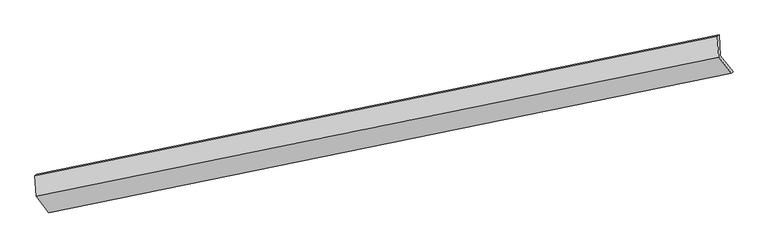
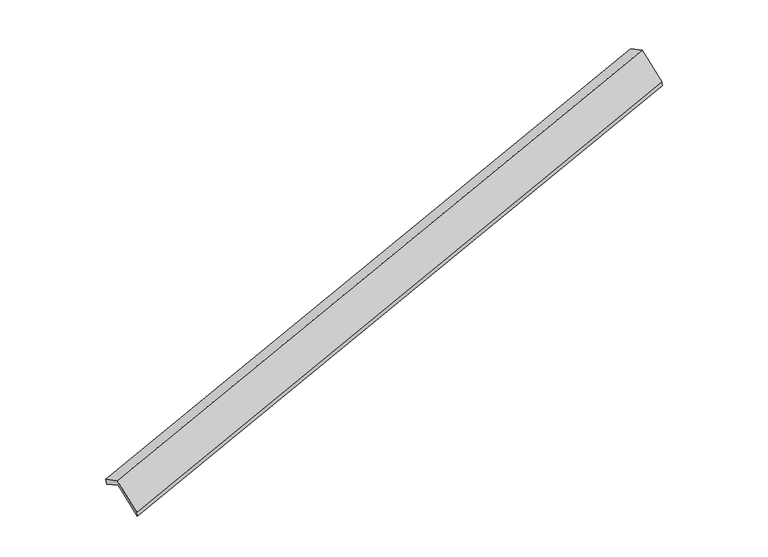
"""IFC4 building model written with IfcOpenShell, lengths in millimetres: proxy geometry."""

from ifc_helpers import new_model, si_unit, origin, place, context, project, spatial, faceted_brep, source, transform, mapped, element, save


def generic_models_58121f69(model_context):
    return source(origin(), model_context, "Body", "Brep", [
        faceted_brep([(-9646.4537801, -2897.2174263, 185.6869163), (-9669.6292347, -2487.5829807, -25.8736847), (3784.8933267, 259.9658439, 3885.6515935), (3808.0687813, -149.6686017, 4097.2121945), (-9705.1121239, -2510.9232125, 113.7550784), (3749.4104376, 236.6256122, 4025.2803567), (-9681.7253085, -2924.293536, 327.2451182), (3772.797253, -176.7447114, 4238.7703965), (-9429.3081398, -3244.1793581, -319.7852521), (4025.2144217, -496.6305335, 3591.7400261), (-9397.4546785, -3212.7715654, -452.581795), (4057.067883, -465.2227408, 3458.9434832)], [[[0, 1, 2, 3]], [[1, 4, 5, 2]], [[4, 6, 7, 5]], [[6, 8, 9, 7]], [[8, 10, 11, 9]], [[10, 0, 3, 11]], [[9, 11, 3, 2, 5, 7]], [[0, 10, 8, 6, 4, 1]]]),
    ])


if __name__ == "__main__":
    model = new_model("IFC4")
    model_context = context("Model", 3, world=origin())
    ifc_project = project(units=[si_unit("LENGTHUNIT", "METRE", prefix="MILLI")], contexts=[model_context])
    site = spatial("IfcSite", under=ifc_project)
    building = spatial("IfcBuilding", under=site)
    placement = place(None, origin())
    generic_models_shape = generic_models_58121f69(model_context)
    element("IfcBuildingElementProxy", 1, Name="Generic Models", at=placement, inside=building, context=model_context, shape_type="MappedRepresentation", body=[
        mapped(generic_models_shape, transform((0.0, 0.0, 0.0), x_axis=(1.0, 0.0, 0.0), y_axis=(0.0, 1.0, 0.0), z_axis=(0.0, 0.0, 1.0))),
    ])
    save(model, "model.ifc")
